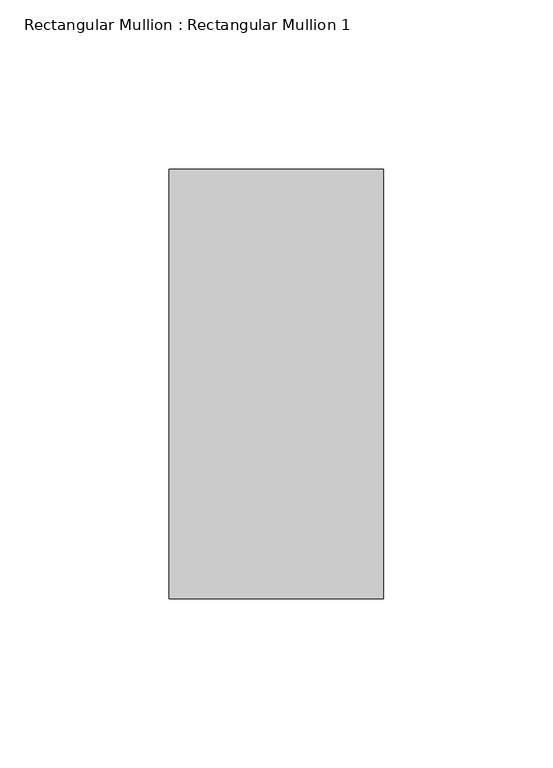
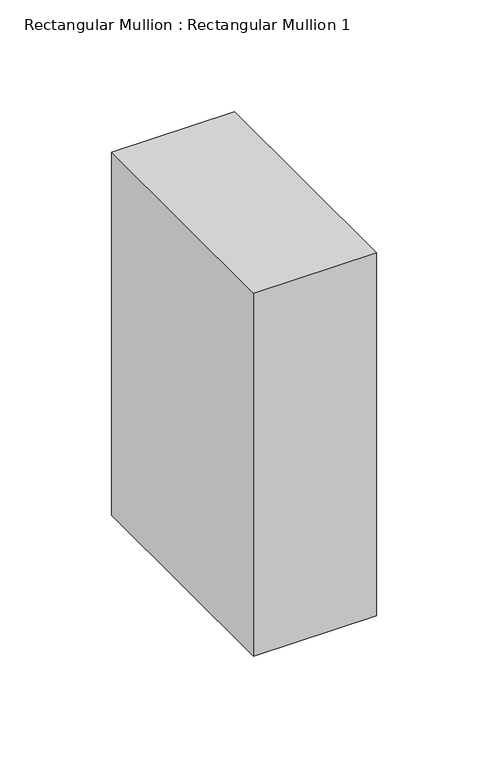
"""IFC4 building model written with IfcOpenShell, lengths in millimetres: member geometry, Rectangular Mullion : Rectangular Mullion 1."""

from ifc_helpers import new_model, si_unit, frame, origin, place, context, project, spatial, polyline, outline, extrude, source, transform, mapped, element, save


def rectangular_mullion_rectangular_mullion_1_edf94c78(model_context):
    return source(origin(), model_context, "Body", "SweptSolid", [
        extrude(outline(polyline([(31.75, 63.5), (31.75, -63.5), (-31.75, -63.5), (-31.75, 63.5), (31.75, 63.5)])), frame((0.0, 0.0, -198.25), z_axis=(0.0, 0.0, 1.0), x_axis=(1.0, 0.0, 0.0)), (0.0, 0.0, 1.0), 198.25),
    ])


if __name__ == "__main__":
    model = new_model("IFC4")
    model_context = context("Model", 3, world=origin())
    ifc_project = project(units=[si_unit("LENGTHUNIT", "METRE", prefix="MILLI")], contexts=[model_context])
    site = spatial("IfcSite", under=ifc_project)
    building = spatial("IfcBuilding", under=site)
    placement = place(None, origin())
    rectangular_mullion_rectangular_mullion_1_shape = rectangular_mullion_rectangular_mullion_1_edf94c78(model_context)
    element("IfcMember", 1, ObjectType="Rectangular Mullion : Rectangular Mullion 1", at=placement, inside=building, context=model_context, shape_type="MappedRepresentation", body=[
        mapped(rectangular_mullion_rectangular_mullion_1_shape, transform((0.0, 0.0, 0.0), x_axis=(1.0, 0.0, 0.0), y_axis=(0.0, 1.0, 0.0), z_axis=(0.0, 0.0, 1.0))),
    ])
    save(model, "model.ifc")
